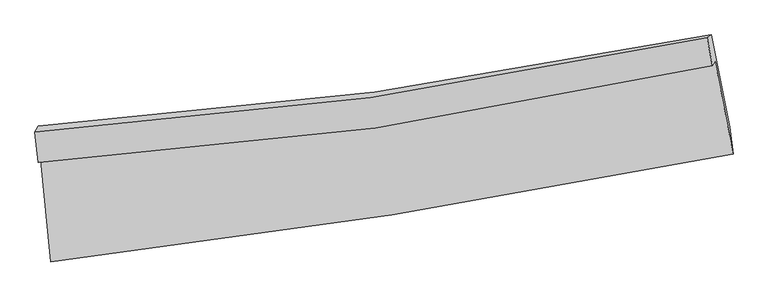
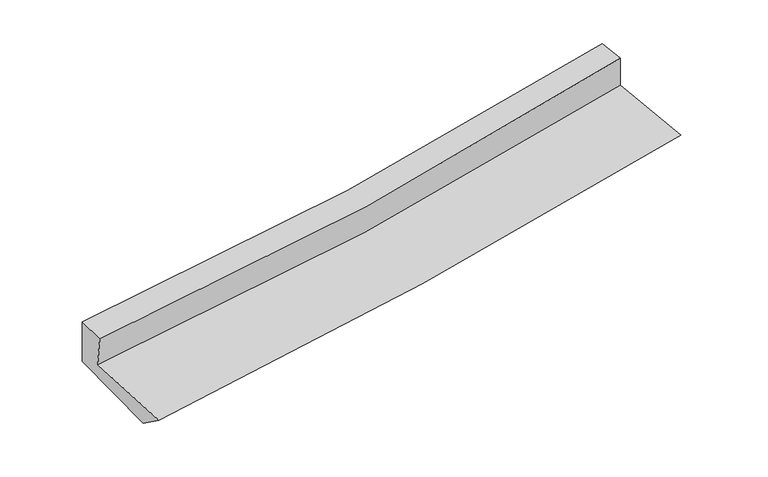
"""IFC4 building model written with IfcOpenShell, lengths in millimetres: proxy geometry."""

import ifcopenshell
import ifcopenshell.guid

model = None  # the IFC model being written
_history = None  # IfcOwnerHistory: only IFC2X3 demands one
_inside = {}  # id of a spatial element -> (the spatial element, [elements in it])
_under = {}  # id of a project, library or spatial element -> (it, [spatial elements below it])
_declared = {}  # id of a project -> (the project, [libraries it declares])
_typed = {}  # id of a type object -> (the type object, [elements of that type])
_made_of = {}  # id of a material, layer set ... -> (it, [elements and type objects made of it])


def new_model(schema):
    """Start an empty IFC model of exactly this schema.

    Asked for "IFC4X3", IfcOpenShell would pick the latest addendum, in which some entities
    have other attributes; the version numbers below select the first issue.
    IFC2X3 requires an IfcOwnerHistory on every rooted entity: one is made here for all.
    """
    global model, _history
    if schema == "IFC4X3":
        model = ifcopenshell.file(schema_version=(4, 3, 0, 0))
    else:
        model = ifcopenshell.file(schema=schema)
    _inside.clear()
    _under.clear()
    _declared.clear()
    _typed.clear()
    _made_of.clear()
    _history = None
    if model.schema == "IFC2X3":
        org = make("IfcOrganization", Name="unknown")
        user = make(
            "IfcPersonAndOrganization",
            ThePerson=make("IfcPerson", FamilyName="unknown"),
            TheOrganization=org,
        )
        app = make(
            "IfcApplication",
            ApplicationDeveloper=org,
            Version="unknown",
            ApplicationFullName="unknown",
            ApplicationIdentifier="unknown",
        )
        _history = make(
            "IfcOwnerHistory",
            OwningUser=user,
            OwningApplication=app,
            ChangeAction="ADDED",
            CreationDate=0,
        )
    return model


def make(cls, **values):
    """One entity of the class cls with the attributes given. An attribute that is None is left unset."""
    return model.create_entity(
        cls, **{name: value for name, value in values.items() if value is not None}
    )


def rooted(cls, **values):
    """An entity with a GlobalId (a new one), such as an element, a storey or a relation."""
    return make(cls, GlobalId=ifcopenshell.guid.new(), OwnerHistory=_history, **values)


def si_unit(unit_type, name, prefix=None):
    """IfcSIUnit, for example si_unit("LENGTHUNIT", "METRE", prefix="MILLI")."""
    return make("IfcSIUnit", UnitType=unit_type, Prefix=prefix, Name=name)


def assignment(units):
    """IfcUnitAssignment: the units of a project."""
    return None if units is None else make("IfcUnitAssignment", Units=units)


def point(xyz):
    """IfcCartesianPoint."""
    return None if xyz is None else make("IfcCartesianPoint", Coordinates=xyz)


def direction(xyz):
    """IfcDirection."""
    return None if xyz is None else make("IfcDirection", DirectionRatios=xyz)


def frame(location, z_axis=None, x_axis=None):
    """IfcAxis2Placement3D, a coordinate frame: its origin and axes. An axis left out is left unset."""
    return make(
        "IfcAxis2Placement3D",
        Location=point(location),
        Axis=direction(z_axis),
        RefDirection=direction(x_axis),
    )


def origin():
    """The frame at (0, 0, 0) with its axes left unset."""
    return frame((0.0, 0.0, 0.0))


def place(relative_to, where):
    """IfcLocalPlacement: puts the frame where relative to a parent placement (None: the world)."""
    return make(
        "IfcLocalPlacement", PlacementRelTo=relative_to, RelativePlacement=where
    )


def context(
    kind, dimensions, precision=None, world=None, true_north=None, identifier=None
):
    """IfcGeometricRepresentationContext, for example the 3D "Model" context."""
    return make(
        "IfcGeometricRepresentationContext",
        ContextIdentifier=identifier,
        ContextType=kind,
        CoordinateSpaceDimension=dimensions,
        Precision=precision,
        WorldCoordinateSystem=world,
        TrueNorth=true_north,
    )


def project(units=None, contexts=None):
    """IfcProject with its units and contexts."""
    return rooted(
        "IfcProject",
        Name="project",
        RepresentationContexts=contexts,
        UnitsInContext=assignment(units),
    )


def spatial(cls, under=None, at=None, **own):
    """A site, building, storey or space (cls), placed at a placement, below another one or the project."""
    s = rooted(cls, ObjectPlacement=at, **own)
    if under is not None:
        _under.setdefault(under.id(), (under, []))[1].append(s)
    return s


def shape(context_of_items, identifier, shape_type, items):
    """IfcShapeRepresentation: the items that make up one representation, for example the "Body"."""
    return make(
        "IfcShapeRepresentation",
        ContextOfItems=context_of_items,
        RepresentationIdentifier=identifier,
        RepresentationType=shape_type,
        Items=items,
    )


def source(mapping_origin, context_of_items, identifier, shape_type, items):
    """IfcRepresentationMap: a shape defined once, which mapped items show again and again."""
    return make(
        "IfcRepresentationMap",
        MappingOrigin=mapping_origin,
        MappedRepresentation=shape(context_of_items, identifier, shape_type, items),
    )


def transform(
    local_origin,
    x_axis=None,
    y_axis=None,
    z_axis=None,
    scale=None,
    scale2=None,
    scale3=None,
    uniform=True,
):
    """IfcCartesianTransformationOperator3D, or its non-uniform kind. x_axis, y_axis, z_axis: its Axis1, 2, 3."""
    if uniform:
        return make(
            "IfcCartesianTransformationOperator3D",
            Axis1=direction(x_axis),
            Axis2=direction(y_axis),
            LocalOrigin=point(local_origin),
            Scale=scale,
            Axis3=direction(z_axis),
        )
    return make(
        "IfcCartesianTransformationOperator3DnonUniform",
        Axis1=direction(x_axis),
        Axis2=direction(y_axis),
        LocalOrigin=point(local_origin),
        Scale=scale,
        Axis3=direction(z_axis),
        Scale2=scale2,
        Scale3=scale3,
    )


def mapped(mapping_source, mapping_target):
    """IfcMappedItem: shows the shape of a source again, moved by a transform."""
    return make(
        "IfcMappedItem", MappingSource=mapping_source, MappingTarget=mapping_target
    )


def made_of(thing, what):
    """Note that an element or type object is made of a material, layer set ...; save() writes the relation."""
    if what is not None:
        _made_of.setdefault(what.id(), (what, []))[1].append(thing)
    return thing


def element(
    cls,
    number,
    at=None,
    inside=None,
    cuts=None,
    type_object=None,
    material=None,
    context=None,
    identifier="Body",
    shape_type=None,
    held_by="IfcProductDefinitionShape",
    body=None,
    shapes=None,
    **own,
):
    """One element of the class cls, such as IfcWall. Its Tag is "e" and its number.

    at: its placement. inside: the storey or other place that contains it. cuts: it is an
    opening in that element (IfcRelVoidsElement). A single representation is given by context,
    identifier, shape_type and body (its items); several are given by shapes. held_by: the class
    of the entity that holds the representations. save() writes the other relations.
    """
    e = rooted(cls, Tag="e%d" % number, ObjectPlacement=at, **own)
    if body is not None:
        shapes = [shape(context, identifier, shape_type, body)]
    if shapes is not None:
        e.Representation = make(held_by, Representations=shapes)
    if inside is not None:
        _inside.setdefault(inside.id(), (inside, []))[1].append(e)
    if cuts is not None:
        rooted(
            "IfcRelVoidsElement", RelatingBuildingElement=cuts, RelatedOpeningElement=e
        )
    if type_object is not None:
        _typed.setdefault(type_object.id(), (type_object, []))[1].append(e)
    return made_of(e, material)


def aggregate(whole, parts):
    """IfcRelAggregates: a whole, such as a stair, and the parts it consists of."""
    return rooted("IfcRelAggregates", RelatingObject=whole, RelatedObjects=parts)


def save(model, path):
    """Write the relations noted so far, then the file.

    IfcRelAggregates (storeys below a building ...), IfcRelContainedInSpatialStructure (elements
    in a storey), IfcRelDefinesByType, IfcRelAssociatesMaterial and IfcRelDeclares: one each for
    every whole, place, type object, material and project.
    """
    for whole, parts in _under.values():
        aggregate(whole, parts)
    for where, things in _inside.values():
        rooted(
            "IfcRelContainedInSpatialStructure",
            RelatedElements=things,
            RelatingStructure=where,
        )
    for kind, things in _typed.values():
        rooted("IfcRelDefinesByType", RelatedObjects=things, RelatingType=kind)
    for what, things in _made_of.values():
        rooted("IfcRelAssociatesMaterial", RelatedObjects=things, RelatingMaterial=what)
    for by, libraries in _declared.values():
        rooted("IfcRelDeclares", RelatingContext=by, RelatedDefinitions=libraries)
    model.write(path)


def plane_surface(at):
    """IfcPlane: the flat surface through the origin of the frame at, square to its z axis."""
    return make("IfcPlane", Position=at)


def spline_curve(degree, points, multiplicities, knots, weights=None):
    """IfcBSplineCurveWithKnots; with weights, IfcRationalBSplineCurveWithKnots."""
    own = dict(
        Degree=degree,
        ControlPointsList=[point(p) for p in points],
        CurveForm="UNSPECIFIED",
        ClosedCurve=False,
        SelfIntersect=False,
        KnotMultiplicities=multiplicities,
        Knots=knots,
        KnotSpec="UNSPECIFIED",
    )
    if weights is None:
        return make("IfcBSplineCurveWithKnots", **own)
    return make("IfcRationalBSplineCurveWithKnots", WeightsData=weights, **own)


def spline_surface(u_degree, v_degree, points, u_multiplicities, v_multiplicities, u_knots, v_knots, weights=None):
    """IfcBSplineSurfaceWithKnots; with weights, IfcRationalBSplineSurfaceWithKnots. points: one row for each step in u."""
    own = dict(
        UDegree=u_degree,
        VDegree=v_degree,
        ControlPointsList=[[point(p) for p in row] for row in points],
        SurfaceForm="UNSPECIFIED",
        UClosed=False,
        VClosed=False,
        SelfIntersect=False,
        UMultiplicities=u_multiplicities,
        VMultiplicities=v_multiplicities,
        UKnots=u_knots,
        VKnots=v_knots,
        KnotSpec="UNSPECIFIED",
    )
    if weights is None:
        return make("IfcBSplineSurfaceWithKnots", **own)
    return make("IfcRationalBSplineSurfaceWithKnots", WeightsData=weights, **own)


def advanced_brep(points, edges, surfaces, faces):
    """IfcAdvancedBrep: a solid bounded by faces that lie on surfaces and meet in shared edges.

    An edge is (start, end): straight between two places in points (the first is 0);
    or (start, end, curve); or (start, end, curve, False) where it runs against its curve.
    A face is (place in surfaces, loops), or (place, loops, False) where it looks against
    its surface's normal. A loop lists edges by number (the first is 1), with a minus sign
    where the edge is run from its end to its start. The first loop is the outer one.
    """
    corners = [point(p) for p in points]
    vertices = [make("IfcVertexPoint", VertexGeometry=c) for c in corners]
    made = []
    for start, end, *more in edges:
        made.append(
            make(
                "IfcEdgeCurve",
                EdgeStart=vertices[start],
                EdgeEnd=vertices[end],
                EdgeGeometry=more[0] if more else make("IfcPolyline", Points=[corners[start], corners[end]]),
                SameSense=more[1] if len(more) > 1 else True,
            )
        )
    hull = []
    for where, loops, *sense in faces:
        bounds = []
        for j, loop in enumerate(loops):
            ring = [make("IfcOrientedEdge", EdgeElement=made[abs(k) - 1], Orientation=k > 0) for k in loop]
            bounds.append(
                make(
                    "IfcFaceOuterBound" if j == 0 else "IfcFaceBound",
                    Bound=make("IfcEdgeLoop", EdgeList=ring),
                    Orientation=True,
                )
            )
        hull.append(make("IfcAdvancedFace", Bounds=bounds, FaceSurface=surfaces[where], SameSense=sense[0] if sense else True))
    return make("IfcAdvancedBrep", Outer=make("IfcClosedShell", CfsFaces=hull))


def generic_models_daa87222(model_context):
    return source(origin(), model_context, "Body", "AdvancedBrep", [
        advanced_brep(
        [(-2271.8485177, -1798.44442, 1746.1132165), (-2201.0720657, -2513.365819, 1688.8376829), (2345.7675261, -1793.6653742, 2050.4343074), (2225.3018983, -1175.9322382, 2135.8947731), (-2285.9932696, -1848.8393116, 1997.0589672), (2208.2895544, -1201.8761927, 2383.0407717), (-2306.9772422, -1645.8159603, 2025.1162482), (2172.5175543, -1017.9633316, 2407.4244714), (-2283.2335079, -1607.8466813, 1661.6488868), (2201.2209371, -997.6469526, 2039.1565813), (-2209.0476509, -2311.3325967, 1544.7679255), (2322.621002, -1613.6813323, 1939.5525838)],
        [
            (0, 1),
            (1, 2, spline_curve(3, [(-2201.0720657, -2513.365819, 1688.8376829), (-1440.443661715, -2422.716905147, 1736.511516321), (-683.267357133, -2317.821371854, 1790.284312943), (832.421738169, -2078.234451593, 1910.6824286), (1590.858631116, -1943.229836445, 1977.441840055), (2345.7675261, -1793.6653742, 2050.4343074)], [4, 2, 4], [0.0, 7.4873696598742, 15.056600906800131])),
            (2, 3),
            (3, 0, spline_curve(3, [(2225.3018983, -1175.9322382, 2135.8947731), (1479.680854253, -1338.788860158, 2066.827141387), (730.048551335, -1472.216092072, 1999.64512467), (-769.087882055, -1679.087034642, 1869.758504744), (-1518.50571773, -1753.163863144, 1807.013335932), (-2271.8485177, -1798.44442, 1746.1132165)], [4, 2, 4], [0.0, 7.5692312469259315, 15.056600906800131])),
            (4, 0),
            (3, 5),
            (5, 4, spline_curve(3, [(2208.2895544, -1201.8761927, 2383.0407717), (1464.126683035, -1371.607601023, 2311.85654038), (715.461073918, -1510.513332163, 2243.9420763), (-782.730068712, -1725.504548246, 2115.351817896), (-1532.158734423, -1802.253190265, 2054.605680384), (-2285.9932696, -1848.8393116, 1997.0589672)], [4, 2, 4], [0.0, 7.5227497945697674, 14.964140701151184])),
            (6, 4),
            (5, 7),
            (7, 6, spline_curve(3, [(2172.5175543, -1017.9633316, 2407.4244714), (1429.402362291, -1179.028328697, 2337.557623244), (682.503516913, -1312.014508141, 2270.607739343), (-810.742813273, -1520.69465467, 2143.23441786), (-1557.008900362, -1596.992684489, 2082.748227559), (-2306.9772422, -1645.8159603, 2025.1162482)], [4, 2, 4], [0.0, 7.50820476892309, 14.935207954984902])),
            (8, 6),
            (7, 9),
            (9, 8, spline_curve(3, [(2201.2209371, -997.6469526, 2039.1565813), (1456.18361479, -1149.641333934, 1970.049948906), (707.911119315, -1276.629749009, 1903.882511884), (-786.976627818, -1479.491701875, 1778.109844883), (-1533.522280454, -1555.903196399, 1718.441383972), (-2283.2335079, -1607.8466813, 1661.6488868)], [4, 2, 4], [0.0, 7.49417252723765, 14.907295230958768])),
            (10, 8),
            (9, 11),
            (11, 10, spline_curve(3, [(2322.621002, -1613.6813323, 1939.5525838), (1568.851081989, -1759.354870169, 1871.299206418), (812.258609907, -1890.567134366, 1804.100632276), (-698.358329793, -2122.806448652, 1672.528438077), (-1452.322075181, -2224.144605749, 1608.132126208), (-2209.0476509, -2311.3325967, 1544.7679255)], [4, 2, 4], [0.0, 7.543112127315036, 15.004645147068526])),
            (1, 10),
            (11, 2),
        ],
        [
            spline_surface(3, 3, [[(-2271.8485177, -1798.44442, 1746.1132165), (-1518.505717807, -1753.163863172, 1807.013335851), (-769.087882065, -1679.087034548, 1869.758504671), (730.048551345, -1472.216092167, 1999.645124743), (1479.680854229, -1338.788860196, 2066.827141431), (2225.3018983, -1175.9322382, 2135.8947731)], [(-2248.256367036, -2036.751552989, 1727.021371957), (-1492.485032433, -1976.348210469, 1783.512729298), (-740.481040455, -1891.998480353, 1843.267107436), (764.172946996, -1674.222211963, 1969.990892704), (1516.740113172, -1540.2691856, 2037.032040955), (2265.457107545, -1381.843283536, 2107.407951199)], [(-2224.664216364, -2275.058686011, 1707.929527443), (-1466.46434705, -2199.5325578, 1760.012122776), (-711.874198859, -2104.909926122, 1816.775710176), (798.297342634, -1876.228331723, 1940.336660641), (1553.79937218, -1741.749510995, 2007.236940484), (2305.612316855, -1587.754328864, 2078.921129301)], [(-2201.0720657, -2513.365819, 1688.8376829), (-1440.443661676, -2422.716905097, 1736.511516224), (-683.267357249, -2317.821371927, 1790.284312941), (832.421738286, -2078.234451519, 1910.682428602), (1590.858631123, -1943.229836399, 1977.441840008), (2345.7675261, -1793.6653742, 2050.4343074)]], [4, 4], [4, 2, 4], [0.0, 2.083023592415717], [0.0, 7.4873696598742, 15.056600906800131]),
            spline_surface(3, 3, [[(-2285.9932696, -1848.8393116, 1997.0589672), (-1532.158734389, -1802.253190335, 2054.605680422), (-782.730068711, -1725.504548327, 2115.351817801), (715.461073918, -1510.51333208, 2243.942076396), (1464.126682917, -1371.607601144, 2311.856540493), (2208.2895544, -1201.8761927, 2383.0407717)], [(-2281.278352318, -1832.041014404, 1913.410383632), (-1527.60772888, -1785.890081284, 1972.074898897), (-778.182673147, -1710.032043729, 2033.487380069), (720.323566409, -1497.747585437, 2162.509759157), (1469.311406695, -1360.66802084, 2230.180074138), (2213.960335707, -1193.228207879, 2300.658772166)], [(-2276.563434982, -1815.242717196, 1829.761800068), (-1523.056723316, -1769.526972222, 1889.544117375), (-773.635277629, -1694.559539146, 1951.622942403), (725.186058853, -1484.98183881, 2081.077441983), (1474.496130452, -1349.728440499, 2148.503607785), (2219.631116993, -1184.580223021, 2218.276772634)], [(-2271.8485177, -1798.44442, 1746.1132165), (-1518.505717807, -1753.163863172, 1807.013335851), (-769.087882065, -1679.087034548, 1869.758504671), (730.048551345, -1472.216092167, 1999.645124743), (1479.680854229, -1338.788860196, 2066.827141431), (2225.3018983, -1175.9322382, 2135.8947731)]], [4, 4], [4, 2, 4], [0.0, 0.8168204126809564], [0.0, 7.441390906581416, 14.964140701151184]),
            spline_surface(3, 3, [[(-2306.9772422, -1645.8159603, 2025.1162482), (-1557.00890041, -1596.992684556, 2082.748227578), (-810.742813352, -1520.694654597, 2143.234417913), (682.503516992, -1312.014508215, 2270.60773929), (1429.402362166, -1179.028328598, 2337.557623367), (2172.5175543, -1017.9633316, 2407.4244714)], [(-2299.982584674, -1713.490410721, 2015.763821195), (-1548.725511743, -1665.412853137, 2073.367378521), (-801.405231805, -1588.964619169, 2133.940217899), (693.489369301, -1378.180782832, 2261.719185015), (1440.97713577, -1243.221419418, 2328.990595756), (2184.441554354, -1079.267618605, 2399.296571514)], [(-2292.987927126, -1781.164861179, 2006.411394205), (-1540.442123055, -1733.833021754, 2063.986529478), (-792.067650258, -1657.234583755, 2124.646017814), (704.475221609, -1444.347057463, 2252.83063067), (1452.551909313, -1307.414510323, 2320.423568104), (2196.365554346, -1140.571905695, 2391.168671586)], [(-2285.9932696, -1848.8393116, 1997.0589672), (-1532.158734389, -1802.253190335, 2054.605680422), (-782.730068711, -1725.504548327, 2115.351817801), (715.461073918, -1510.51333208, 2243.942076396), (1464.126682917, -1371.607601144, 2311.856540493), (2208.2895544, -1201.8761927, 2383.0407717)]], [4, 4], [4, 2, 4], [0.0, 0.6749688582063617], [0.0, 7.427003186061812, 14.935207954984902]),
            spline_surface(3, 3, [[(-2283.2335079, -1607.8466813, 1661.6488868), (-1533.522280562, -1555.903196427, 1718.441383849), (-786.976627768, -1479.491701951, 1778.10984494), (707.911119265, -1276.629748933, 1903.882511826), (1456.183614792, -1149.641333822, 1970.049948892), (2201.2209371, -997.6469526, 2039.1565813)], [(-2291.14808598, -1620.503107653, 1782.804673948), (-1541.351153824, -1569.59969249, 1839.87699844), (-794.898689658, -1493.22601951, 1899.818035908), (699.441918479, -1288.424668704, 2026.124254291), (1447.256530565, -1159.436998762, 2092.552507055), (2191.653142815, -1004.419078947, 2161.912544672)], [(-2299.06266412, -1633.159533947, 1903.960461052), (-1549.180027148, -1583.296188493, 1961.312612986), (-802.820751462, -1506.960337037, 2021.526226945), (690.972717778, -1300.219588443, 2148.365996825), (1438.329446393, -1169.232663659, 2215.055065204), (2182.085348585, -1011.191205253, 2284.668508028)], [(-2306.9772422, -1645.8159603, 2025.1162482), (-1557.00890041, -1596.992684556, 2082.748227578), (-810.742813352, -1520.694654597, 2143.234417913), (682.503516992, -1312.014508215, 2270.60773929), (1429.402362166, -1179.028328598, 2337.557623367), (2172.5175543, -1017.9633316, 2407.4244714)]], [4, 4], [4, 2, 4], [0.0, 1.2098086945048574], [0.0, 7.413122703721118, 14.907295230958768]),
            spline_surface(3, 3, [[(-2209.0476509, -2311.3325967, 1544.7679255), (-1452.322075291, -2224.144605815, 1608.132126297), (-698.358329708, -2122.806448646, 1672.528438184), (812.258609821, -1890.567134373, 1804.100632167), (1568.851081923, -1759.354870131, 1871.299206382), (2322.621002, -1613.6813323, 1939.5525838)], [(-2233.776269915, -2076.837291542, 1583.728245935), (-1479.388810396, -2001.397469328, 1644.901878816), (-727.897762364, -1908.368199726, 1707.722240452), (777.476112999, -1685.921339205, 1837.361258736), (1531.295259565, -1556.117024707, 1904.216120559), (2282.154313718, -1408.336539079, 1972.753916307)], [(-2258.504888885, -1842.341986458, 1622.688566365), (-1506.455545457, -1778.650332915, 1681.67163133), (-757.437195112, -1693.929950871, 1742.916042672), (742.693616086, -1481.275544101, 1870.621885257), (1493.739437151, -1352.879179246, 1937.133034715), (2241.687625382, -1202.991745821, 2005.955248793)], [(-2283.2335079, -1607.8466813, 1661.6488868), (-1533.522280562, -1555.903196427, 1718.441383849), (-786.976627768, -1479.491701951, 1778.10984494), (707.911119265, -1276.629748933, 1903.882511826), (1456.183614792, -1149.641333822, 1970.049948892), (2201.2209371, -997.6469526, 2039.1565813)]], [4, 4], [4, 2, 4], [0.0, 2.1131096216697607], [0.0, 7.461533019753491, 15.004645147068526]),
            spline_surface(3, 3, [[(-2201.0720657, -2513.365819, 1688.8376829), (-1440.443661676, -2422.716905097, 1736.511516224), (-683.267357249, -2317.821371927, 1790.284312941), (832.421738286, -2078.234451519, 1910.682428602), (1590.858631123, -1943.229836399, 1977.441840008), (2345.7675261, -1793.6653742, 2050.4343074)], [(-2203.730594078, -2446.021411592, 1640.814430432), (-1444.403132859, -2356.526138695, 1693.718386247), (-688.297681424, -2252.816397509, 1751.032354686), (825.700695442, -2015.678679146, 1875.155163121), (1583.522781384, -1881.938180962, 1942.060962109), (2338.052018061, -1733.670693553, 2013.473732843)], [(-2206.389122522, -2378.677004108, 1592.791177968), (-1448.362604109, -2290.335372217, 1650.925256274), (-693.328005532, -2187.811423064, 1711.780396439), (818.979652665, -1953.122906746, 1839.627897648), (1576.186931662, -1820.646525567, 1906.680084281), (2330.336510039, -1673.676012947, 1976.513158357)], [(-2209.0476509, -2311.3325967, 1544.7679255), (-1452.322075291, -2224.144605815, 1608.132126297), (-698.358329708, -2122.806448646, 1672.528438184), (812.258609821, -1890.567134373, 1804.100632167), (1568.851081923, -1759.354870131, 1871.299206382), (2322.621002, -1613.6813323, 1939.5525838)]], [4, 4], [4, 2, 4], [0.0, 0.7297648726065769], [0.0, 7.522562548091027, 15.127371457301749]),
            plane_surface(frame((2245.9530787, -1300.1275703, 2159.2505814), z_axis=(0.9800261452115544, 0.17918223972287647, 0.08626980740488144), x_axis=(-0.07758864765210158, -0.05491758177106845, 0.995471778087122))),
            plane_surface(frame((-2259.6953757, -1954.2741315, 1777.2571545), z_axis=(-0.9929367770751821, -0.09233039455330859, -0.07450942875355228), x_axis=(-0.09820572630026805, 0.9919877764041048, 0.07947255366902849))),
        ],
        [
            (0, [[1, 2, 3, 4]]),
            (1, [[5, -4, 6, 7]]),
            (2, [[8, -7, 9, 10]]),
            (3, [[11, -10, 12, 13]]),
            (4, [[14, -13, 15, 16]]),
            (5, [[17, -16, 18, -2]]),
            (6, [[-12, -9, -6, -3, -18, -15]]),
            (7, [[-1, -5, -8, -11, -14, -17]]),
        ],
    ),
    ])


if __name__ == "__main__":
    model = new_model("IFC4")
    model_context = context("Model", 3, world=origin())
    ifc_project = project(units=[si_unit("LENGTHUNIT", "METRE", prefix="MILLI")], contexts=[model_context])
    site = spatial("IfcSite", under=ifc_project)
    building = spatial("IfcBuilding", under=site)
    placement = place(None, origin())
    generic_models_shape = generic_models_daa87222(model_context)
    element("IfcBuildingElementProxy", 1, Name="Generic Models", at=placement, inside=building, context=model_context, shape_type="MappedRepresentation", body=[
        mapped(generic_models_shape, transform((0.0, 0.0, 0.0), x_axis=(1.0, 0.0, 0.0), y_axis=(0.0, 1.0, 0.0), z_axis=(0.0, 0.0, 1.0))),
    ])
    save(model, "model.ifc")
